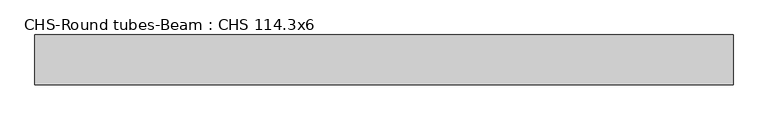
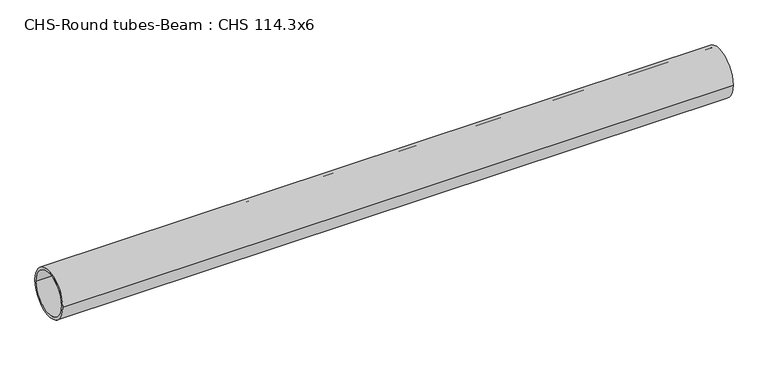
"""IFC4 building model written with IfcOpenShell, lengths in millimetres: beam geometry, CHS-Round tubes-Beam : CHS 114.3x6."""

from ifc_helpers import new_model, si_unit, point, frame, origin, origin_2d, place, context, project, spatial, circle_curve, trimmed, segment, composite_curve, outline, extrude, source, transform, mapped, element, save


def chs_round_tubes_beam_chs_114_3x6_e37dfb51(model_context):
    return source(origin(), model_context, "Body", "SweptSolid", [
        extrude(outline(composite_curve([segment(trimmed(circle_curve(origin_2d(), 57.15), [point((57.15, 0.0))], [point((-57.15, 0.0))], False, "CARTESIAN"), True, "CONTINUOUS"), segment(trimmed(circle_curve(origin_2d(), 57.15), [point((-57.15, 0.0))], [point((57.15, 0.0))], False, "CARTESIAN"), True, "CONTINUOUS")], self_intersect=False), holes=[composite_curve([segment(trimmed(circle_curve(origin_2d(), 51.15), [point((51.15, 0.0))], [point((-51.15, 0.0))], True, "CARTESIAN"), True, "CONTINUOUS"), segment(trimmed(circle_curve(origin_2d(), 51.15), [point((-51.15, 0.0))], [point((51.15, 0.0))], True, "CARTESIAN"), True, "CONTINUOUS")], self_intersect=False)]), frame((-789.9007214, 0.0, 0.0), z_axis=(1.0, 0.0, 0.0), x_axis=(0.0, 1.0, 0.0)), (0.0, 0.0, 1.0), 1593.8629119),
    ])


if __name__ == "__main__":
    model = new_model("IFC4")
    model_context = context("Model", 3, world=origin())
    ifc_project = project(units=[si_unit("LENGTHUNIT", "METRE", prefix="MILLI")], contexts=[model_context])
    site = spatial("IfcSite", under=ifc_project)
    building = spatial("IfcBuilding", under=site)
    placement = place(None, origin())
    chs_round_tubes_beam_chs_114_3x6_shape = chs_round_tubes_beam_chs_114_3x6_e37dfb51(model_context)
    element("IfcBeam", 1, ObjectType="CHS-Round tubes-Beam : CHS 114.3x6", at=placement, inside=building, context=model_context, shape_type="MappedRepresentation", body=[
        mapped(chs_round_tubes_beam_chs_114_3x6_shape, transform((0.0, 0.0, 0.0), x_axis=(1.0, 0.0, 0.0), y_axis=(0.0, 1.0, 0.0), z_axis=(0.0, 0.0, 1.0))),
    ])
    save(model, "model.ifc")
